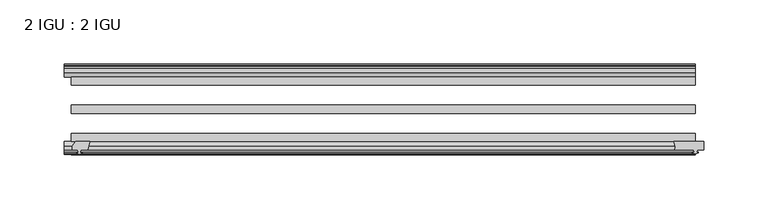
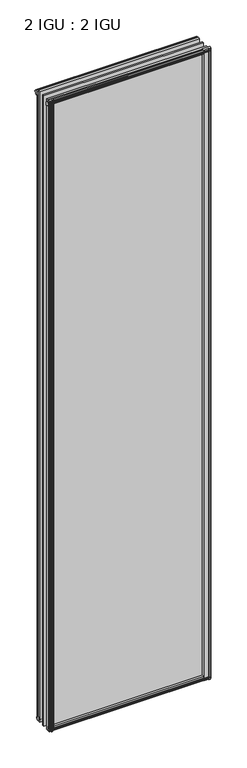
"""IFC4 building model written with IfcOpenShell, lengths in millimetres: plate geometry, 2 IGU : 2 IGU."""

from ifc_helpers import new_model, si_unit, point, frame, frame_2d, origin, origin_with_axes, place, context, project, spatial, polyline, circle_curve, trimmed, segment, composite_curve, outline, extrude, source, transform, mapped, element, save


def plate_2_igu_2_igu_2d3428d1(model_context):
    return source(origin(), model_context, "Body", "SweptSolid", [
        extrude(outline(polyline([(-226.2642377, -69.9960936), (-227.9819558, -76.3460936), (-233.1889558, -76.3460936), (-233.5699558, -78.7262905), (-232.1544267, -78.2663573), (-232.1544267, -79.0675715), (-234.3319558, -79.7750936), (-236.5094848, -79.0675715), (-236.5094848, -78.2663573), (-235.0939558, -78.7262905), (-235.4749558, -76.3460936), (-239.9199558, -76.3460936), (-239.9199558, -73.3996936), (-237.0856136, -69.9960936), (-226.2642377, -69.9960936)])), frame((0.0, 0.0, -12.303125), z_axis=(0.0, 0.0, 1.0), x_axis=(1.0, 0.0, 0.0)), (0.0, 0.0, 1.0), 2018.661825),
        extrude(outline(polyline([(232.6751267, -10.4746158), (234.8526558, -9.7670937), (237.0301848, -10.4746158), (237.0301848, -11.27583), (235.6146558, -10.8158968), (235.9956558, -13.1960937), (240.4406558, -13.1960937), (240.4406558, -16.1424937), (237.6063136, -19.5460937), (226.7849377, -19.5460937), (228.5026558, -13.1960937), (233.7096558, -13.1960937), (234.0906558, -10.8158968), (232.6751267, -11.27583), (232.6751267, -10.4746158)])), origin_with_axes(), (0.0, 0.0, 1.0), 1993.9),
        extrude(outline(composite_curve([segment(polyline([(226.9982271, -69.9960936), (250.2069558, -69.9960936), (250.2069558, -76.3460936), (245.1269558, -76.3460936), (244.8094558, -78.4506955), (246.0280617, -78.124171), (246.2318558, -78.884741), (243.8569558, -79.5210936), (241.4820558, -78.884741), (241.6858499, -78.124171), (242.9044558, -78.4506955), (242.5869558, -76.3460936), (227.9819558, -76.3460936)]), True, "CONTINUOUS"), segment(trimmed(circle_curve(frame_2d((215.6408301, -75.0067563)), 12.4135896), [point((227.9819558, -76.3460936))], [point((226.9982271, -69.9960936))], True, "CARTESIAN"), True, "CONTINUOUS")], self_intersect=False)), frame((0.0, 0.0, -12.4587), z_axis=(0.0, 0.0, 1.0), x_axis=(1.0, 0.0, 0.0)), (0.0, 0.0, 1.0), 2018.8174),
        extrude(outline(polyline([(-19.5460937, 1.5938931), (-13.1960937, -0.123825), (-13.1960937, -5.330825), (-10.8158968, -5.711825), (-11.27583, -4.2962959), (-10.4746158, -4.2962959), (-9.7670937, -6.473825), (-10.4746158, -8.6513541), (-11.27583, -8.6513541), (-10.8158968, -7.235825), (-13.1960937, -7.616825), (-13.1960937, -12.061825), (-16.1424937, -12.061825), (-19.5460937, -9.2274828), (-19.5460937, 1.5938931)])), frame((-240.6819558, 0.0, 0.0), z_axis=(1.0, 0.0, 0.0), x_axis=(0.0, 1.0, 0.0)), (0.0, 0.0, 1.0), 484.5389115),
        extrude(outline(polyline([(-69.9960936, 2.1145931), (-69.9960936, -8.7067828), (-73.3996936, -11.541125), (-76.3460936, -11.541125), (-76.3460936, -7.096125), (-78.7262905, -6.715125), (-78.2663573, -8.1306541), (-79.0675715, -8.1306541), (-79.7750936, -5.953125), (-79.0675715, -3.7755959), (-78.2663573, -3.7755959), (-78.7262905, -5.191125), (-76.3460936, -4.810125), (-76.3460936, 0.396875), (-69.9960936, 2.1145931)])), frame((-240.6819558, 0.0, 0.0), z_axis=(1.0, 0.0, 0.0), x_axis=(0.0, 1.0, 0.0)), (0.0, 0.0, 1.0), 484.5389115),
        extrude(outline(polyline([(-10.8158968, 2001.5327), (-11.27583, 2002.9482291), (-10.4746158, 2002.9482291), (-9.7670937, 2000.7707), (-10.4746158, 1998.5931709), (-11.27583, 1998.5931709), (-10.8158968, 2000.0087), (-13.1960937, 1999.6277), (-13.1960937, 1994.4207), (-19.5460937, 1992.7029819), (-19.5460937, 2003.5243578), (-16.1424937, 2006.3587), (-13.1960937, 2006.3587), (-13.1960937, 2001.9137), (-10.8158968, 2001.5327)])), frame((-246.0280617, 0.0, 0.0), z_axis=(1.0, 0.0, 0.0), x_axis=(0.0, 1.0, 0.0)), (0.0, 0.0, 1.0), 489.8850174),
        extrude(outline(polyline([(-76.3460936, 2005.838), (-73.3996936, 2005.838), (-69.9960936, 2003.0036578), (-69.9960936, 1992.1822819), (-76.3460936, 1993.9), (-76.3460936, 1999.107), (-78.7262905, 1999.488), (-78.2663573, 1998.0724709), (-79.0675715, 1998.0724709), (-79.7750936, 2000.25), (-79.0675715, 2002.4275291), (-78.2663573, 2002.4275291), (-78.7262905, 2001.012), (-76.3460936, 2001.393), (-76.3460936, 2005.838)])), frame((-246.0280617, 0.0, 0.0), z_axis=(1.0, 0.0, 0.0), x_axis=(0.0, 1.0, 0.0)), (0.0, 0.0, 1.0), 489.8850174),
        extrude(outline(polyline([(-234.8526558, -9.7670937), (-232.6751267, -10.4746158), (-232.6751267, -11.27583), (-234.0906558, -10.8158968), (-233.7096558, -13.1960937), (-228.5026558, -13.1960937), (-226.7849377, -19.5460937), (-237.6063136, -19.5460937), (-240.4406558, -16.1424937), (-240.4406558, -13.1960937), (-235.9956558, -13.1960937), (-235.6146558, -10.8158968), (-237.0301848, -11.27583), (-237.0301848, -10.4746158), (-234.8526558, -9.7670937)])), origin_with_axes(), (0.0, 0.0, 1.0), 1993.9),
        extrude(outline(polyline([(243.8569558, -19.5460937), (243.8569558, -25.8960937), (-240.6819558, -25.8960937), (-240.6819558, -19.5460937), (243.8569558, -19.5460937)])), frame((0.0, 0.0, -12.303125), z_axis=(0.0, 0.0, 1.0), x_axis=(1.0, 0.0, 0.0)), (0.0, 0.0, 1.0), 2018.903125),
        extrude(outline(polyline([(-240.6819558, -41.5960937), (243.8569558, -41.5960937), (243.8569558, -47.9460937), (-240.6819558, -47.9460937), (-240.6819558, -41.5960937)])), frame((0.0, 0.0, -12.303125), z_axis=(0.0, 0.0, 1.0), x_axis=(1.0, 0.0, 0.0)), (0.0, 0.0, 1.0), 2018.903125),
        extrude(outline(polyline([(243.8569558, -63.6460936), (243.8569558, -69.9960936), (-240.6819558, -69.9960936), (-240.6819558, -63.6460936), (243.8569558, -63.6460936)])), frame((0.0, 0.0, -12.303125), z_axis=(0.0, 0.0, 1.0), x_axis=(1.0, 0.0, 0.0)), (0.0, 0.0, 1.0), 2018.903125),
    ])


if __name__ == "__main__":
    model = new_model("IFC4")
    model_context = context("Model", 3, world=origin())
    ifc_project = project(units=[si_unit("LENGTHUNIT", "METRE", prefix="MILLI")], contexts=[model_context])
    site = spatial("IfcSite", under=ifc_project)
    building = spatial("IfcBuilding", under=site)
    placement = place(None, origin())
    plate_2_igu_2_igu_shape = plate_2_igu_2_igu_2d3428d1(model_context)
    element("IfcPlate", 1, ObjectType="2 IGU : 2 IGU", at=placement, inside=building, context=model_context, shape_type="MappedRepresentation", body=[
        mapped(plate_2_igu_2_igu_shape, transform((0.0, 0.0, 0.0), x_axis=(1.0, 0.0, 0.0), y_axis=(0.0, 1.0, 0.0), z_axis=(0.0, 0.0, 1.0))),
    ])
    save(model, "model.ifc")
